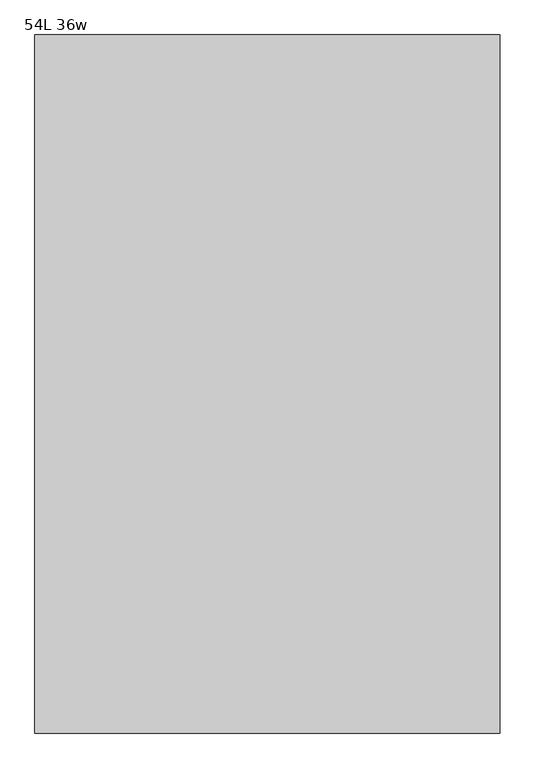
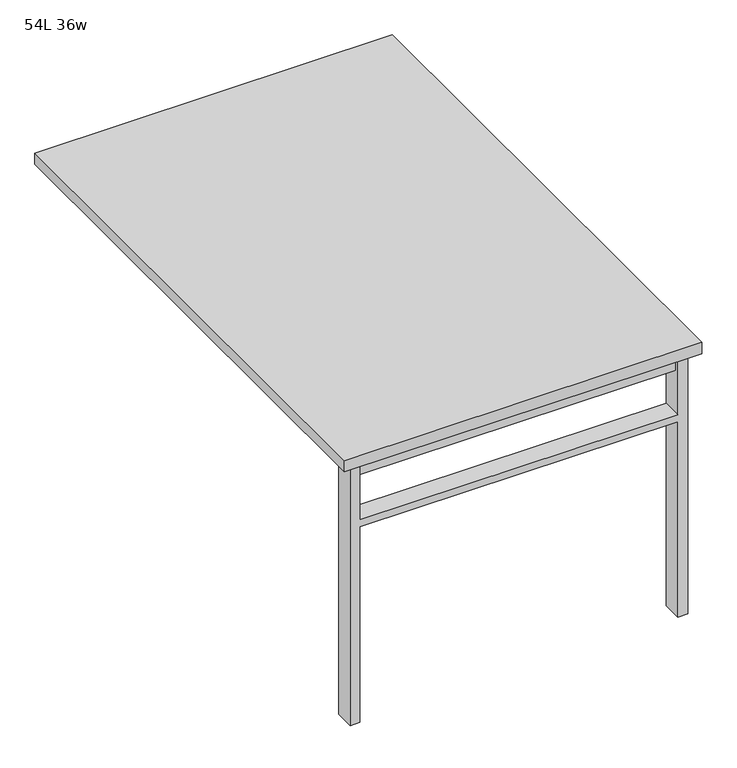
"""IFC4 building model written with IfcOpenShell, lengths in millimetres: furniture geometry, 54L 36w."""

from ifc_helpers import new_model, si_unit, frame, origin, place, context, project, spatial, polyline, outline, extrude, source, transform, mapped, element, save


def furniture_54l_36w_4540ed32(model_context):
    return source(origin(), model_context, "Body", "SweptSolid", [
        extrude(outline(polyline([(-406.4, -625.475), (406.4, -625.475), (406.4, -657.225), (-406.4, -657.225), (-406.4, -625.475)])), frame((0.0, 0.0, 661.9875), z_axis=(0.0, 0.0, 1.0), x_axis=(1.0, 0.0, 0.0)), (0.0, 0.0, 1.0), 44.45),
        extrude(outline(polyline([(528.6375, 406.4), (0.0, 406.4), (0.0, 431.8), (706.4375, 431.8), (706.4375, 406.4), (547.6875, 406.4), (547.6875, -406.4), (706.4375, -406.4), (706.4375, -431.8), (0.0, -431.8), (0.0, -406.4), (528.6375, -406.4), (528.6375, 406.4)])), frame((0.0, -666.75, 0.0), z_axis=(0.0, 1.0, 0.0), x_axis=(0.0, 0.0, 1.0)), (0.0, 0.0, 1.0), 50.8),
        extrude(outline(polyline([(-457.2, -685.8), (-457.2, 685.8), (457.2, 685.8), (457.2, -685.8), (-457.2, -685.8)])), frame((0.0, 0.0, 706.4375), z_axis=(0.0, 0.0, 1.0), x_axis=(1.0, 0.0, 0.0)), (0.0, 0.0, 1.0), 30.1625),
    ])


if __name__ == "__main__":
    model = new_model("IFC4")
    model_context = context("Model", 3, world=origin())
    ifc_project = project(units=[si_unit("LENGTHUNIT", "METRE", prefix="MILLI")], contexts=[model_context])
    site = spatial("IfcSite", under=ifc_project)
    building = spatial("IfcBuilding", under=site)
    placement = place(None, origin())
    furniture_54l_36w_shape = furniture_54l_36w_4540ed32(model_context)
    element("IfcFurniture", 1, ObjectType="54L 36w", at=placement, inside=building, context=model_context, shape_type="MappedRepresentation", body=[
        mapped(furniture_54l_36w_shape, transform((0.0, 0.0, 0.0), x_axis=(1.0, 0.0, 0.0), y_axis=(0.0, 1.0, 0.0), z_axis=(0.0, 0.0, 1.0))),
    ])
    save(model, "model.ifc")
